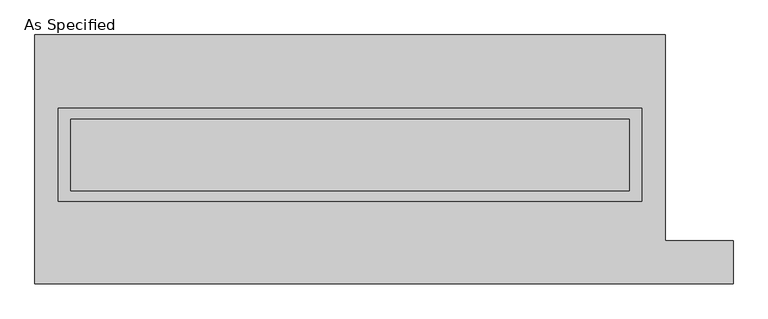
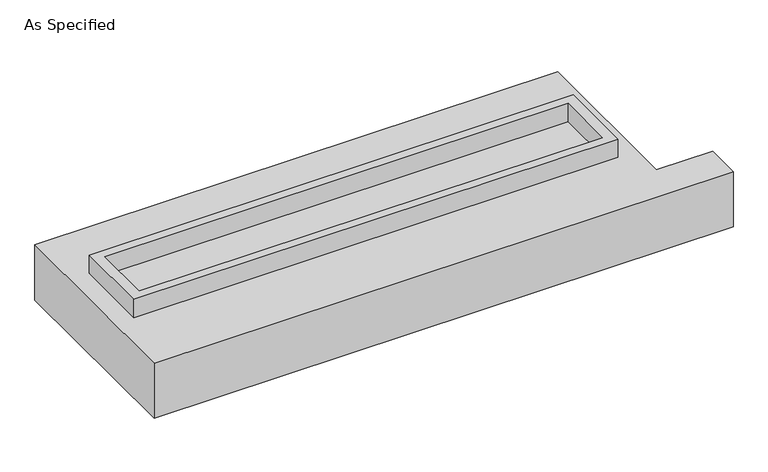
"""IFC4 building model written with IfcOpenShell, lengths in millimetres: proxy geometry, As Specified."""

from ifc_helpers import new_model, si_unit, frame, origin, place, context, project, spatial, polyline, outline, extrude, source, transform, mapped, element, save


def as_specified_2be33f32(model_context):
    return source(origin(), model_context, "Body", "SweptSolid", [
        extrude(outline(polyline([(2070.1, 361.95), (2070.1, -298.45), (-2070.1, -298.45), (-2070.1, 361.95), (2070.1, 361.95)]), holes=[polyline([(1981.2, 285.75), (-1981.2, 285.75), (-1981.2, -222.25), (1981.2, -222.25), (1981.2, 285.75)])]), frame((0.0, 0.0, -688.975), z_axis=(0.0, 0.0, 1.0), x_axis=(1.0, 0.0, 0.0)), (0.0, 0.0, 1.0), 165.1),
        extrude(outline(polyline([(2070.1, 361.95), (2070.1, -298.45), (-2070.1, -298.45), (-2070.1, 361.95), (2070.1, 361.95)]), holes=[polyline([(1981.2, 285.75), (-1981.2, 285.75), (-1981.2, -222.25), (1981.2, -222.25), (1981.2, 285.75)])]), frame((0.0, 0.0, -25.4), z_axis=(0.0, 0.0, 1.0), x_axis=(1.0, 0.0, 0.0)), (0.0, 0.0, 1.0), 165.1),
        extrude(outline(polyline([(1981.2, 285.75), (1981.2, -222.25), (-1981.2, -222.25), (-1981.2, 285.75), (1981.2, 285.75)])), frame((0.0, 0.0, -523.875), z_axis=(0.0, 0.0, 1.0), x_axis=(1.0, 0.0, 0.0)), (0.0, 0.0, 1.0), 4.9609375),
        extrude(outline(polyline([(1981.2, 285.75), (1981.2, -222.25), (-1981.2, -222.25), (-1981.2, 285.75), (1981.2, 285.75)])), frame((0.0, 0.0, -30.3609375), z_axis=(0.0, 0.0, 1.0), x_axis=(1.0, 0.0, 0.0)), (0.0, 0.0, 1.0), 4.9609375),
        extrude(outline(polyline([(-2235.2, 882.65), (2235.2, 882.65), (2235.2, -577.85), (2717.8, -577.85), (2717.8, -882.65), (-2235.2, -882.65), (-2235.2, 882.65)]), holes=[polyline([(-2070.1, 361.95), (-2070.1, -298.45), (2070.1, -298.45), (2070.1, 361.95), (-2070.1, 361.95)])]), frame((0.0, 0.0, -523.875), z_axis=(0.0, 0.0, 1.0), x_axis=(1.0, 0.0, 0.0)), (0.0, 0.0, 1.0), 498.475),
    ])


if __name__ == "__main__":
    model = new_model("IFC4")
    model_context = context("Model", 3, world=origin())
    ifc_project = project(units=[si_unit("LENGTHUNIT", "METRE", prefix="MILLI")], contexts=[model_context])
    site = spatial("IfcSite", under=ifc_project)
    building = spatial("IfcBuilding", under=site)
    placement = place(None, origin())
    as_specified_shape = as_specified_2be33f32(model_context)
    element("IfcBuildingElementProxy", 1, Name="As Specified", ObjectType="As Specified", at=placement, inside=building, context=model_context, shape_type="MappedRepresentation", body=[
        mapped(as_specified_shape, transform((0.0, 0.0, 0.0), x_axis=(1.0, 0.0, 0.0), y_axis=(0.0, 1.0, 0.0), z_axis=(0.0, 0.0, 1.0))),
    ])
    save(model, "model.ifc")
